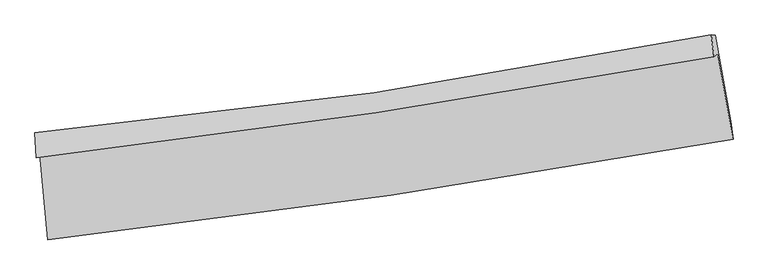
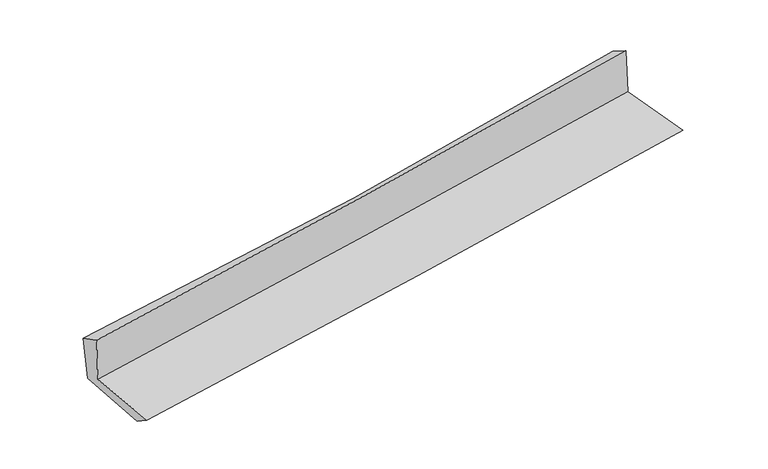
"""IFC4 building model written with IfcOpenShell, lengths in millimetres: proxy geometry."""

from ifc_helpers import new_model, si_unit, frame, origin, place, context, project, spatial, source, transform, mapped, element, save
from ifc_brep_helpers import plane_surface, spline_curve, spline_surface, advanced_brep


def generic_models_c8fa1d1b(model_context):
    return source(origin(), model_context, "Body", "AdvancedBrep", [
        advanced_brep(
        [(-2641.8329608, -1867.7099049, 1647.824909), (-2582.6937747, -2533.7926252, 1641.1510605), (2714.8619297, -1757.0704719, 2085.7004872), (2597.3641313, -1095.5579528, 2094.5262564), (-2671.5689315, -1900.7958249, 2051.839486), (2566.8245939, -1117.2663142, 2507.5429052), (-2681.0479241, -1707.0525125, 1958.2084024), (2545.3864734, -950.2485449, 2410.9061021), (-2648.7837097, -1721.2436595, 1574.3785687), (2578.8989848, -954.4870779, 2017.1985243), (-2587.6743224, -2387.0800881, 1543.0546778), (2698.1052497, -1617.3255704, 1990.6556398)],
        [
            (0, 1),
            (1, 2, spline_curve(3, [(-2582.6937747, -2533.7926252, 1641.1510605), (-1697.260023026, -2434.868765182, 1732.824692521), (-813.135709559, -2320.690081261, 1815.703729473), (952.716852721, -2061.790398034, 1963.891311775), (1834.444440924, -1917.061697687, 2029.195416914), (2714.8619297, -1757.0704719, 2085.7004872)], [4, 2, 4], [0.0, 8.766343068933878, 17.534898660450533])),
            (2, 3),
            (3, 0, spline_curve(3, [(2597.3641313, -1095.5579528, 2094.5262564), (1726.734875031, -1249.226902986, 2035.472048044), (854.76523078, -1390.413918676, 1968.714162984), (-891.634476145, -1647.791604262, 1819.809826502), (-1766.063862746, -1763.988573052, 1737.667262766), (-2641.8329608, -1867.7099049, 1647.824909)], [4, 2, 4], [0.0, 8.768555591516655, 17.534898660450533])),
            (4, 0),
            (3, 5),
            (5, 4, spline_curve(3, [(2566.8245939, -1117.2663142, 2507.5429052), (1696.976719812, -1276.827567013, 2447.352711337), (825.46469809, -1421.908731087, 2379.276542947), (-920.667316633, -1683.077928245, 2227.371423973), (-1795.286470121, -1799.173267579, 2143.546452817), (-2671.5689315, -1900.7958249, 2051.839486)], [4, 2, 4], [0.0, 8.722193687741456, 17.44218655115055])),
            (6, 4),
            (5, 7),
            (7, 6, spline_curve(3, [(2545.3864734, -950.2485449, 2410.9061021), (1680.676135741, -1122.60058029, 2337.738081077), (812.729403616, -1271.848638299, 2263.424357745), (-929.417028852, -1524.104969642, 2112.524546127), (-1803.615095795, -1627.124900787, 2035.939036528), (-2681.0479241, -1707.0525125, 1958.2084024)], [4, 2, 4], [0.0, 8.711369396163489, 17.42054069923003])),
            (8, 6),
            (7, 9),
            (9, 8, spline_curve(3, [(2578.8989848, -954.4870779, 2017.1985243), (1713.243056124, -1121.948700105, 1945.728084177), (844.719537133, -1269.581453904, 1873.086396925), (-897.84280789, -1525.156975628, 1725.479154297), (-1771.880186997, -1633.109749226, 1650.514189236), (-2648.7837097, -1721.2436595, 1574.3785687)], [4, 2, 4], [0.0, 8.70043099835977, 17.39866666364982])),
            (10, 8),
            (9, 11),
            (11, 10, spline_curve(3, [(2698.1052497, -1617.3255704, 1990.6556398), (1821.531072026, -1780.7076481, 1918.464394979), (942.706488831, -1926.550777559, 1845.063833688), (-819.221170507, -2183.126767135, 1695.862902622), (-1702.323111715, -2293.868476527, 1620.063143541), (-2587.6743224, -2387.0800881, 1543.0546778)], [4, 2, 4], [0.0, 8.748842928763118, 17.49547830893388])),
            (1, 10),
            (11, 2),
        ],
        [
            spline_surface(3, 3, [[(-2641.8329608, -1867.7099049, 1647.824909), (-1766.063862659, -1763.988572915, 1737.667262732), (-891.634476195, -1647.791604394, 1819.809826604), (854.76523083, -1390.413918544, 1968.714162882), (1726.734875097, -1249.226903074, 2035.472048184), (2597.3641313, -1095.5579528, 2094.5262564)], [(-2622.119898788, -2089.737478332, 1645.600292839), (-1743.129249472, -1987.615303664, 1736.053072667), (-865.468220672, -1872.091096693, 1818.441127607), (887.41577152, -1614.206078395, 1967.106545819), (1762.638063714, -1471.838501244, 2033.379837754), (2636.530064098, -1316.06212584, 2091.584333342)], [(-2602.406836712, -2311.765051768, 1643.375676661), (-1720.194636221, -2211.242034418, 1734.438882584), (-839.301965206, -2096.390588945, 1817.07242858), (920.066312154, -1837.998238199, 1965.498928728), (1798.541252336, -1694.450099393, 2031.287627298), (2675.695996902, -1536.56629886, 2088.642410258)], [(-2582.6937747, -2533.7926252, 1641.1510605), (-1697.260023034, -2434.868765167, 1732.824692518), (-813.135709683, -2320.690081245, 1815.703729583), (952.716852845, -2061.79039805, 1963.891311665), (1834.444440953, -1917.061697564, 2029.195416868), (2714.8619297, -1757.0704719, 2085.7004872)]], [4, 4], [4, 2, 4], [0.0, 2.224139855975066], [0.0, 8.766343068933878, 17.534898660450533]),
            spline_surface(3, 3, [[(-2671.5689315, -1900.7958249, 2051.839486), (-1795.286470099, -1799.173267634, 2143.546452714), (-920.667316702, -1683.077928239, 2227.371424015), (825.464698159, -1421.908731092, 2379.276542905), (1696.97671985, -1276.827566969, 2447.352711322), (2566.8245939, -1117.2663142, 2507.5429052)], [(-2661.656941244, -1889.767184902, 1917.167960348), (-1785.54560093, -1787.445036063, 2008.253389402), (-910.98970321, -1671.315820289, 2091.517558208), (835.231542372, -1411.410460241, 2242.422416227), (1706.896104916, -1267.627345676, 2310.05915693), (2577.004439684, -1110.030193739, 2369.870688921)], [(-2651.744951056, -1878.738544898, 1782.496434652), (-1775.804731828, -1775.716804486, 1872.960326044), (-901.312089687, -1659.553712344, 1955.663692411), (844.998386617, -1400.912189395, 2105.56828956), (1716.81549003, -1258.427124367, 2172.765602576), (2587.184285516, -1102.794073261, 2232.198472679)], [(-2641.8329608, -1867.7099049, 1647.824909), (-1766.063862659, -1763.988572915, 1737.667262732), (-891.634476195, -1647.791604394, 1819.809826604), (854.76523083, -1390.413918544, 1968.714162882), (1726.734875097, -1249.226903074, 2035.472048184), (2597.3641313, -1095.5579528, 2094.5262564)]], [4, 4], [4, 2, 4], [0.0, 1.34992754358321], [0.0, 8.719992863409093, 17.44218655115055]),
            spline_surface(3, 3, [[(-2681.0479241, -1707.0525125, 1958.2084024), (-1803.615095688, -1627.124900879, 2035.939036493), (-929.417028714, -1524.104969601, 2112.524546261), (812.729403478, -1271.84863834, 2263.424357611), (1680.676135697, -1122.600580408, 2337.738081052), (2545.3864734, -950.2485449, 2410.9061021)], [(-2677.888259918, -1771.63361664, 1989.418763601), (-1800.838887176, -1684.47435647, 2071.808175234), (-926.500458056, -1577.095955811, 2150.806838829), (816.974501692, -1321.868669256, 2302.041752693), (1686.109663766, -1174.009575905, 2374.276291138), (2552.532513585, -1005.921134643, 2443.118369796)], [(-2674.728595682, -1836.21472076, 2020.629124799), (-1798.062678611, -1741.823812042, 2107.677313973), (-923.58388736, -1630.086942028, 2189.089131446), (821.219599945, -1371.888700177, 2340.659147823), (1691.54319178, -1225.418571472, 2410.814501236), (2559.678553715, -1061.593724457, 2475.330637504)], [(-2671.5689315, -1900.7958249, 2051.839486), (-1795.286470099, -1799.173267634, 2143.546452714), (-920.667316702, -1683.077928239, 2227.371424015), (825.464698159, -1421.908731092, 2379.276542905), (1696.97671985, -1276.827566969, 2447.352711322), (2566.8245939, -1117.2663142, 2507.5429052)]], [4, 4], [4, 2, 4], [0.0, 0.6336011577164683], [0.0, 8.709171303066542, 17.42054069923003]),
            spline_surface(3, 3, [[(-2648.7837097, -1721.2436595, 1574.3785687), (-1771.880187128, -1633.109749261, 1650.514189346), (-897.842807941, -1525.156975675, 1725.479154168), (844.719537184, -1269.581453857, 1873.086397053), (1713.243056136, -1121.948700203, 1945.72808405), (2578.8989848, -954.4870779, 2017.1985243)], [(-2659.538447826, -1716.51327718, 1702.321846598), (-1782.458489974, -1631.114799813, 1778.989138392), (-908.367548185, -1524.806306976, 1854.494284874), (834.056159296, -1270.33718201, 2003.199050581), (1702.387415969, -1122.165993603, 2076.398083037), (2567.728147646, -953.074233565, 2148.434383553)], [(-2670.293185974, -1711.78289482, 1830.265124502), (-1793.036792842, -1629.119850326, 1907.464087446), (-918.89228847, -1524.4556383, 1983.509415555), (823.392781366, -1271.092910187, 2133.311704084), (1691.531775863, -1122.383287008, 2207.068082065), (2556.557310554, -951.661389235, 2279.670242847)], [(-2681.0479241, -1707.0525125, 1958.2084024), (-1803.615095688, -1627.124900879, 2035.939036493), (-929.417028714, -1524.104969601, 2112.524546261), (812.729403478, -1271.84863834, 2263.424357611), (1680.676135697, -1122.600580408, 2337.738081052), (2545.3864734, -950.2485449, 2410.9061021)]], [4, 4], [4, 2, 4], [0.0, 1.2794940016236953], [0.0, 8.69823566529005, 17.39866666364982]),
            spline_surface(3, 3, [[(-2587.6743224, -2387.0800881, 1543.0546778), (-1702.323111642, -2293.868476559, 1620.063143562), (-819.221170623, -2183.126767011, 1695.86290272), (942.706488947, -1926.550777683, 1845.06383359), (1821.531071933, -1780.707647988, 1918.464395099), (2698.1052497, -1617.3255704, 1990.6556398)], [(-2608.044118166, -2165.13461191, 1553.495974763), (-1725.50880347, -2073.61556747, 1630.213492153), (-845.428383061, -1963.803503244, 1705.73498655), (910.044171693, -1707.561003087, 1854.404688092), (1785.435066668, -1561.121332084, 1927.552291436), (2658.369828068, -1396.379406258, 1999.503267986)], [(-2628.413913934, -1943.18913569, 1563.937271737), (-1748.694495301, -1853.362658351, 1640.363840755), (-871.635595502, -1744.480239441, 1715.607070338), (877.381854438, -1488.571228454, 1863.745542552), (1749.3390614, -1341.535016107, 1936.640187713), (2618.634406432, -1175.433242042, 2008.350896114)], [(-2648.7837097, -1721.2436595, 1574.3785687), (-1771.880187128, -1633.109749261, 1650.514189346), (-897.842807941, -1525.156975675, 1725.479154168), (844.719537184, -1269.581453857, 1873.086397053), (1713.243056136, -1121.948700203, 1945.72808405), (2578.8989848, -954.4870779, 2017.1985243)]], [4, 4], [4, 2, 4], [0.0, 2.178474428942054], [0.0, 8.746635380170762, 17.49547830893388]),
            spline_surface(3, 3, [[(-2582.6937747, -2533.7926252, 1641.1510605), (-1697.260023034, -2434.868765167, 1732.824692518), (-813.135709683, -2320.690081245, 1815.703729583), (952.716852845, -2061.79039805, 1963.891311665), (1834.444440953, -1917.061697564, 2029.195416868), (2714.8619297, -1757.0704719, 2085.7004872)], [(-2584.353957259, -2484.888446137, 1608.452266251), (-1698.947719229, -2387.868668935, 1695.237509518), (-815.164196673, -2274.83564315, 1775.756787283), (949.380064869, -2016.710524578, 1924.282152295), (1830.13998463, -1871.610347693, 1992.28507628), (2709.276369718, -1710.488838055, 2054.018871402)], [(-2586.014139841, -2435.984267163, 1575.753472049), (-1700.635415447, -2340.868572792, 1657.650326563), (-817.192683633, -2228.981205105, 1735.809845019), (946.043276923, -1971.630651155, 1884.672992961), (1825.835528255, -1826.158997858, 1955.374735687), (2703.690809682, -1663.907204245, 2022.337255598)], [(-2587.6743224, -2387.0800881, 1543.0546778), (-1702.323111642, -2293.868476559, 1620.063143562), (-819.221170623, -2183.126767011, 1695.86290272), (942.706488947, -1926.550777683, 1845.06383359), (1821.531071933, -1780.707647988, 1918.464395099), (2698.1052497, -1617.3255704, 1990.6556398)]], [4, 4], [4, 2, 4], [0.0, 0.595186917341365], [0.0, 8.804004616052316, 17.61023126002194]),
            plane_surface(frame((2616.9068938, -1248.659322, 2184.4216525), z_axis=(0.9814865047521606, 0.17324180100938605, 0.08167936931937962), x_axis=(-0.08480872925569692, 0.010726280496295428, 0.9963395135940102))),
            plane_surface(frame((-2635.6002706, -2019.6124359, 1736.0761841), z_axis=(-0.9929406941961829, -0.08735585418471145, -0.08023548185723108), x_axis=(-0.08843424581625116, 0.9960320215358422, 0.009979791687930539))),
        ],
        [
            (0, [[1, 2, 3, 4]]),
            (1, [[5, -4, 6, 7]]),
            (2, [[8, -7, 9, 10]]),
            (3, [[11, -10, 12, 13]]),
            (4, [[14, -13, 15, 16]]),
            (5, [[17, -16, 18, -2]]),
            (6, [[-12, -9, -6, -3, -18, -15]]),
            (7, [[-1, -5, -8, -11, -14, -17]]),
        ],
    ),
    ])


if __name__ == "__main__":
    model = new_model("IFC4")
    model_context = context("Model", 3, world=origin())
    ifc_project = project(units=[si_unit("LENGTHUNIT", "METRE", prefix="MILLI")], contexts=[model_context])
    site = spatial("IfcSite", under=ifc_project)
    building = spatial("IfcBuilding", under=site)
    placement = place(None, origin())
    generic_models_shape = generic_models_c8fa1d1b(model_context)
    element("IfcBuildingElementProxy", 1, Name="Generic Models", at=placement, inside=building, context=model_context, shape_type="MappedRepresentation", body=[
        mapped(generic_models_shape, transform((0.0, 0.0, 0.0), x_axis=(1.0, 0.0, 0.0), y_axis=(0.0, 1.0, 0.0), z_axis=(0.0, 0.0, 1.0))),
    ])
    save(model, "model.ifc")
